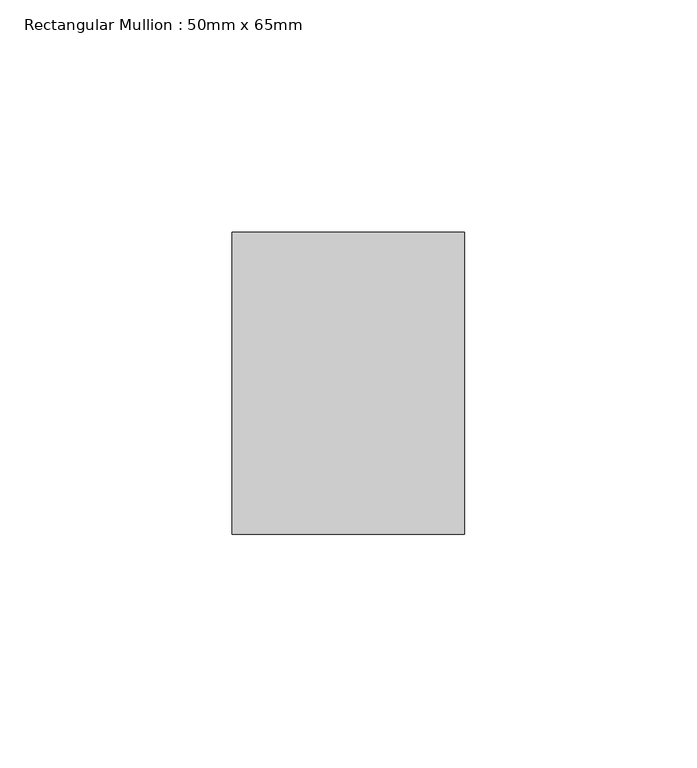
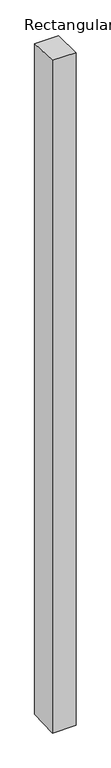
"""IFC4 building model written with IfcOpenShell, lengths in millimetres: member geometry, Rectangular Mullion : 50mm x 65mm."""

from ifc_helpers import new_model, si_unit, origin, place, context, project, spatial, faceted_brep, source, transform, mapped, element, save


def rectangular_mullion_50mm_x_65mm_5c4b3444(model_context):
    return source(origin(), model_context, "Body", "Brep", [
        faceted_brep([(-25.0, 32.5, -1.1419557), (25.0, 32.5, -1.1419446), (25.0, 32.5, -1498.5325412), (-25.0, 32.5, -1498.532527), (-25.0, -32.5, 1.1419446), (-25.0, -32.5, -1501.4678773), (25.0, -32.5, 1.1419557), (25.0, -32.5, -1501.4678915)], [[[0, 1, 2, 3]], [[4, 0, 3, 5]], [[6, 4, 5, 7]], [[1, 6, 7, 2]], [[1, 0, 4, 6]], [[2, 7, 5, 3]]]),
    ])


if __name__ == "__main__":
    model = new_model("IFC4")
    model_context = context("Model", 3, world=origin())
    ifc_project = project(units=[si_unit("LENGTHUNIT", "METRE", prefix="MILLI")], contexts=[model_context])
    site = spatial("IfcSite", under=ifc_project)
    building = spatial("IfcBuilding", under=site)
    placement = place(None, origin())
    rectangular_mullion_50mm_x_65mm_shape = rectangular_mullion_50mm_x_65mm_5c4b3444(model_context)
    element("IfcMember", 1, ObjectType="Rectangular Mullion : 50mm x 65mm", at=placement, inside=building, context=model_context, shape_type="MappedRepresentation", body=[
        mapped(rectangular_mullion_50mm_x_65mm_shape, transform((0.0, 0.0, 0.0), x_axis=(1.0, 0.0, 0.0), y_axis=(0.0, 1.0, 0.0), z_axis=(0.0, 0.0, 1.0))),
    ])
    save(model, "model.ifc")
